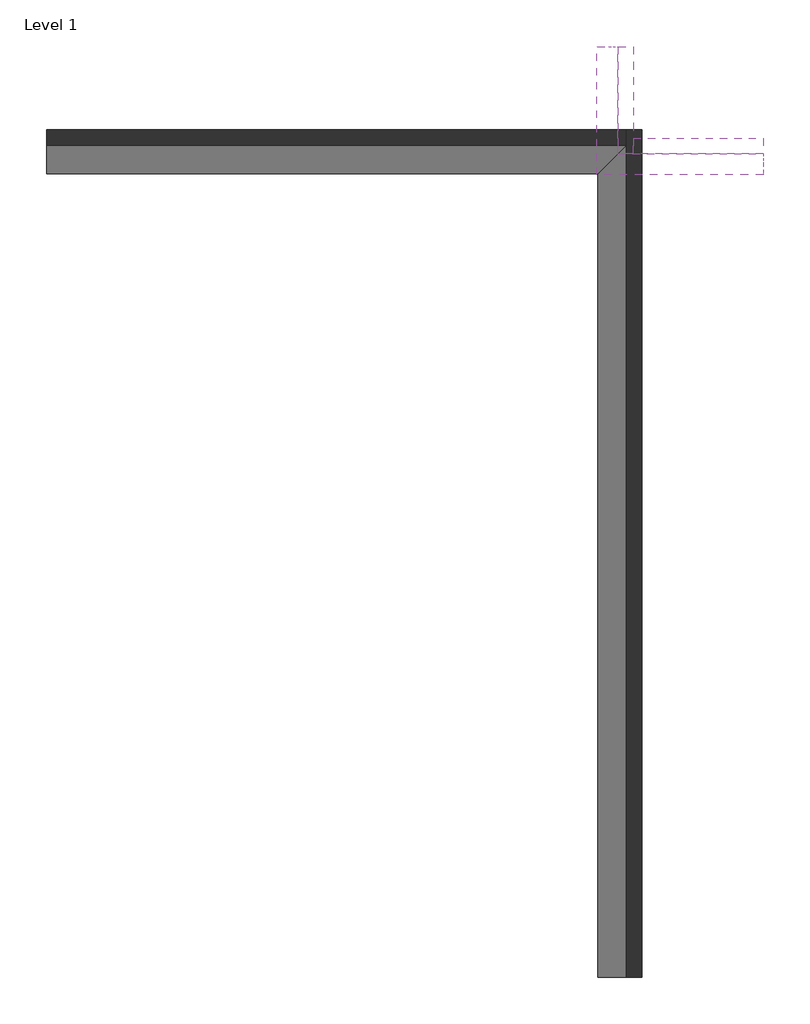
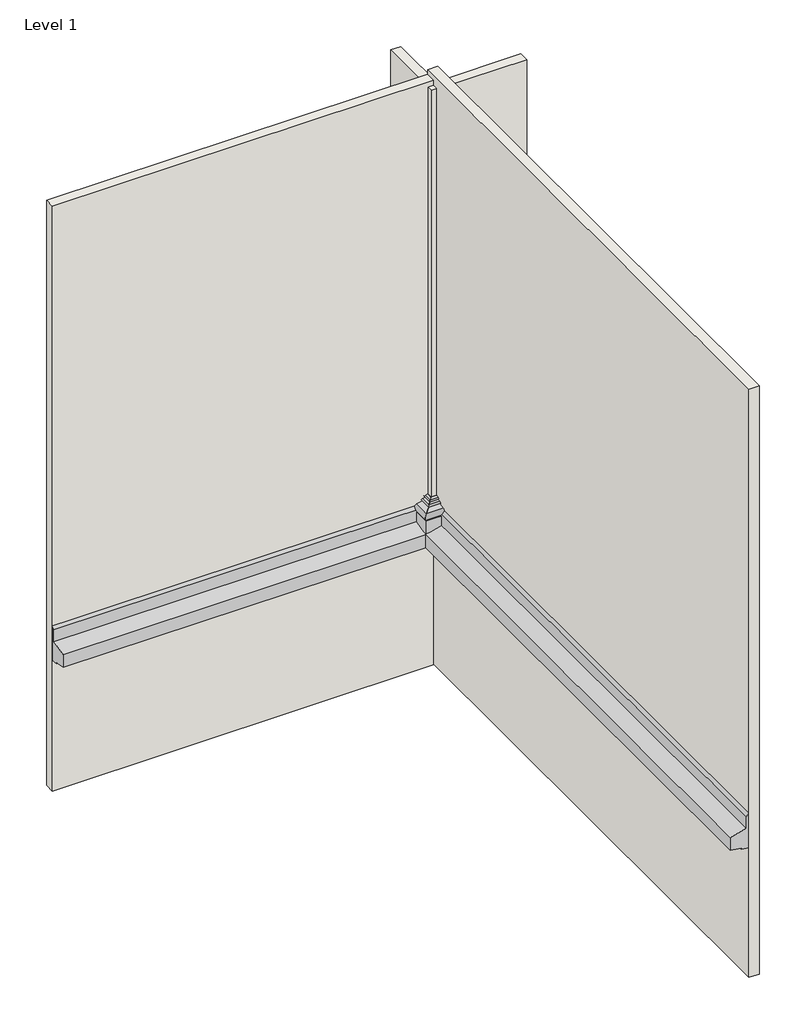
# One storey: 4 walls, 2 proxies.
"""IFC4 building model written with IfcOpenShell, lengths in millimetres."""

from ifc_helpers import new_model, si_unit, frame, origin, place, context, project, spatial, circle_curve, ellipse_curve, faceted_brep, element, save
from ifc_brep_helpers import plane_surface, cylinder_surface, advanced_brep

model = new_model("IFC4")

# Units and contexts
model_context = context("Model", 3, world=origin())
ifc_project = project(units=[si_unit("LENGTHUNIT", "METRE", prefix="MILLI")], contexts=[model_context])

# Site, building, storey
site = spatial("IfcSite", under=ifc_project)
building = spatial("IfcBuilding", under=site)
storey = spatial("IfcBuildingStorey", under=building, Name="Level 1", Elevation=0.0)

# Proxies
placement = place(None, origin())
element("IfcBuildingElementProxy", 1, Name="Wall Sweeps", at=placement, inside=storey, context=model_context, shape_type="Brep", body=[
    faceted_brep([(-17397.7486451, 10690.5387332, 1766.6174059), (-17397.7486451, 10690.5387332, 1038.1304494), (-17397.7486451, 10533.2248563, 1060.239473), (-17397.7486451, 10533.2248563, 1084.5228398), (-17397.7486451, 10316.4420599, 1114.989675), (-17397.7486451, 10316.4420599, 1379.8940228), (-17397.7486451, 10636.2894987, 1465.5968857), (-17397.7486451, 10636.2894987, 1712.3681714), (-9799.3486451, 10690.5387332, 1766.6174059), (-9853.5978797, 10636.2894987, 1712.3681714), (-9853.5978797, 10636.2894987, 1465.5968857), (-10173.4453185, 10316.4420599, 1379.8940228), (-10173.4453185, 10316.4420599, 1114.989675), (-9956.6625221, 10533.2248563, 1084.5228398), (-9956.6625221, 10533.2248563, 1060.239473), (-9799.3486451, 10690.5387332, 1038.1304494)], [[[0, 1, 2, 3, 4, 5, 6, 7]], [[8, 9, 10, 11, 12, 13, 14, 15]], [[1, 0, 8, 15]], [[2, 1, 15, 14]], [[3, 2, 14, 13]], [[4, 3, 13, 12]], [[5, 4, 12, 11]], [[6, 5, 11, 10]], [[7, 6, 10, 9]], [[0, 7, 9, 8]]]),
    faceted_brep([(-9799.3486451, -207.8612668, 1766.6174059), (-9853.5978797, -207.8612668, 1712.3681714), (-9853.5978797, -207.8612668, 1465.5968857), (-10173.4453185, -207.8612668, 1379.8940228), (-10173.4453185, -207.8612668, 1114.989675), (-9956.6625221, -207.8612668, 1084.5228398), (-9956.6625221, -207.8612668, 1060.239473), (-9799.3486451, -207.8612668, 1038.1304494), (-9799.3486451, 10690.5387332, 1766.6174059), (-9799.3486451, 10690.5387332, 1038.1304494), (-9956.6625221, 10533.2248563, 1060.239473), (-9956.6625221, 10533.2248563, 1084.5228398), (-10173.4453185, 10316.4420599, 1114.989675), (-10173.4453185, 10316.4420599, 1379.8940228), (-9853.5978797, 10636.2894987, 1465.5968857), (-9853.5978797, 10636.2894987, 1712.3681714)], [[[0, 1, 2, 3, 4, 5, 6, 7]], [[8, 9, 10, 11, 12, 13, 14, 15]], [[1, 0, 8, 15]], [[2, 1, 15, 14]], [[3, 2, 14, 13]], [[4, 3, 13, 12]], [[5, 4, 12, 11]], [[6, 5, 11, 10]], [[7, 6, 10, 9]], [[0, 7, 9, 8]]]),
])
element("IfcBuildingElementProxy", 2, Name="Wall Sweeps", at=placement, inside=storey, context=model_context, shape_type="AdvancedBrep", body=[
    advanced_brep(
    [(-10170.7669056, 11981.7508841, 1400.0), (-10170.7669056, 11981.7508841, 1663.1578947), (-10118.1353267, 11981.7508841, 1663.1578947), (-10118.1353267, 11981.7508841, 1668.4210526), (-10139.2465801, 11981.7508841, 1796.7855844), (-10022.6246094, 11981.7508841, 1817.3491844), (-10022.6246094, 11981.7508841, 1822.6123423), (-10017.9224973, 11981.7508841, 1867.8161659), (-9966.0905103, 11981.7508841, 1876.9555437), (-9966.0905103, 11981.7508841, 1879.5871226), (-9964.2290497, 11981.7508841, 1912.9679292), (-9919.1218464, 11981.7508841, 1929.3856086), (-9907.6090109, 11981.7508841, 1929.3856086), (-9907.6090109, 11981.7508841, 1400.0), (-10170.7669056, 10316.9929894, 1400.0), (-9907.6090109, 10580.1508841, 1400.0), (-9907.6090109, 10580.1508841, 1929.3856086), (-9919.1218464, 10568.6380486, 1929.3856086), (-9964.2290497, 10523.5308452, 1912.9679292), (-9966.0905103, 10521.6693847, 1879.5871226), (-9966.0905103, 10521.6693847, 1876.9555437), (-10017.9224973, 10469.8373977, 1867.8161659), (-10022.6246094, 10465.1352856, 1822.6123423), (-10022.6246094, 10465.1352856, 1817.3491844), (-10139.2465801, 10348.5133149, 1796.7855844), (-10118.1353267, 10369.6245683, 1668.4210526), (-10118.1353267, 10369.6245683, 1663.1578947), (-10170.7669056, 10316.9929894, 1663.1578947)],
    [
        (0, 1),
        (1, 2),
        (2, 3),
        (3, 4, circle_curve(frame((-10120.8332425, 11981.7508841, 1733.8956235), z_axis=(0.0, 1.0, 0.0), x_axis=(-1.0, 0.0, 0.0)), 65.5301319)),
        (4, 5),
        (5, 6),
        (6, 7, circle_curve(frame((-10013.7526208, 11981.7508841, 1844.5359452), z_axis=(0.0, 1.0, 0.0), x_axis=(-1.0, 0.0, 0.0)), 23.6507198)),
        (7, 8),
        (8, 9),
        (9, 10, circle_curve(frame((-9960.8289703, 11981.7508841, 1896.0360209), z_axis=(0.0, 1.0, 0.0), x_axis=(-1.0, 0.0, 0.0)), 17.2699177)),
        (10, 11),
        (11, 12),
        (12, 13),
        (13, 0),
        (14, 15),
        (15, 16),
        (16, 17),
        (17, 18),
        (18, 19, ellipse_curve(frame((-9960.8289703, 10526.9309247, 1896.0360209), z_axis=(0.7071067811865458, -0.7071067811865493, 0.0), x_axis=(0.7071067811865493, 0.7071067811865456, 0.0)), 24.4233519, 17.2699177)),
        (19, 20),
        (20, 21),
        (21, 22, ellipse_curve(frame((-10013.7526208, 10474.0072742, 1844.5359452), z_axis=(0.7071067811865458, -0.7071067811865493, 0.0), x_axis=(0.7071067811865493, 0.7071067811865456, 0.0)), 33.4471686, 23.6507198)),
        (22, 23),
        (23, 24),
        (24, 25, ellipse_curve(frame((-10120.8332425, 10366.9266525, 1733.8956235), z_axis=(0.7071067811865458, -0.7071067811865493, 0.0), x_axis=(0.7071067811865493, 0.7071067811865456, 0.0)), 92.6736013, 65.5301319)),
        (25, 26),
        (26, 27),
        (27, 14),
        (0, 14),
        (27, 1),
        (13, 15),
        (26, 2),
        (25, 3),
        (24, 4),
        (23, 5),
        (22, 6),
        (21, 7),
        (20, 8),
        (19, 9),
        (18, 10),
        (17, 11),
        (16, 12),
    ],
    [
        plane_surface(frame((-10437.1197926, 11981.7508841, 1400.0), z_axis=(0.0, 1.0, 0.0), x_axis=(0.0, 0.0, -1.0))),
        plane_surface(frame((-9907.6090109, 10580.1508841, 1095.2), z_axis=(0.7071067811865458, -0.7071067811865493, 0.0), x_axis=(0.7071067811865493, 0.7071067811865458, 0.0))),
        plane_surface(frame((-10170.7669056, 11981.7508841, 1400.0), z_axis=(-1.0, 0.0, 0.0), x_axis=(0.0, -1.0, 0.0))),
        plane_surface(frame((-9907.6090109, 11981.7508841, 1400.0), z_axis=(0.0, 0.0, -1.0), x_axis=(0.0, -1.0, 0.0))),
        plane_surface(frame((-10170.7669056, 11981.7508841, 1663.1578947), z_axis=(0.0, 0.0, 1.0), x_axis=(0.0, -1.0, 0.0))),
        plane_surface(frame((-10118.1353267, 11981.7508841, 1663.1578947), z_axis=(-1.0, 0.0, 0.0), x_axis=(0.0, -1.0, 0.0))),
        cylinder_surface(frame((-10120.8332425, 11981.7508841, 1733.8956235), z_axis=(0.0, 1.0, 0.0), x_axis=(-1.0, 0.0, 0.0)), 65.5301319),
        plane_surface(frame((-10139.2465801, 11981.7508841, 1796.7855844), z_axis=(-0.17364817766693338, 0.0, 0.9848077530122076), x_axis=(0.0, -1.0, 0.0))),
        plane_surface(frame((-10022.6246094, 11981.7508841, 1817.3491844), z_axis=(-1.0, 0.0, 0.0), x_axis=(0.0, -1.0, 0.0))),
        cylinder_surface(frame((-10013.7526208, 11981.7508841, 1844.5359452), z_axis=(0.0, 1.0, 0.0), x_axis=(-1.0, 0.0, 0.0)), 23.6507198),
        plane_surface(frame((-10017.9224973, 11981.7508841, 1867.8161659), z_axis=(-0.17364817766693355, 0.0, 0.9848077530122076), x_axis=(0.0, -1.0, 0.0))),
        plane_surface(frame((-9966.0905103, 11981.7508841, 1876.9555437), z_axis=(-1.0, 0.0, 0.0), x_axis=(0.0, -1.0, 0.0))),
        cylinder_surface(frame((-9960.8289703, 11981.7508841, 1896.0360209), z_axis=(0.0, 1.0, 0.0), x_axis=(-1.0, 0.0, 0.0)), 17.2699177),
        plane_surface(frame((-9964.2290497, 11981.7508841, 1912.9679292), z_axis=(-0.34202014332567154, 0.0, 0.9396926207859074), x_axis=(0.0, -1.0, 0.0))),
        plane_surface(frame((-9919.1218464, 11981.7508841, 1929.3856086), z_axis=(0.0, 0.0, 1.0), x_axis=(0.0, -1.0, 0.0))),
        plane_surface(frame((-9907.6090109, 11981.7508841, 1929.3856086), z_axis=(1.0, 0.0, 0.0), x_axis=(0.0, -1.0, 0.0))),
    ],
    [
        (0, [[1, 2, 3, 4, 5, 6, 7, 8, 9, 10, 11, 12, 13, 14]]),
        (1, [[15, 16, 17, 18, 19, 20, 21, 22, 23, 24, 25, 26, 27, 28]]),
        (2, [[-1, 29, -28, 30]]),
        (3, [[-14, 31, -15, -29]]),
        (4, [[-2, -30, -27, 32]]),
        (5, [[-3, -32, -26, 33]]),
        (6, [[-4, -33, -25, 34]]),
        (7, [[-5, -34, -24, 35]]),
        (8, [[-6, -35, -23, 36]]),
        (9, [[-7, -36, -22, 37]]),
        (10, [[-8, -37, -21, 38]]),
        (11, [[-9, -38, -20, 39]]),
        (12, [[-10, -39, -19, 40]]),
        (13, [[-11, -40, -18, 41]]),
        (14, [[-12, -41, -17, 42]]),
        (15, [[-13, -42, -16, -31]]),
    ],
),
    advanced_brep(
    [(-10170.7669056, 10316.9929894, 1400.0), (-10170.7669056, 10316.9929894, 1663.1578947), (-10118.1353267, 10369.6245683, 1663.1578947), (-10118.1353267, 10369.6245683, 1668.4210526), (-10139.2465801, 10348.5133149, 1796.7855844), (-10022.6246094, 10465.1352856, 1817.3491844), (-10022.6246094, 10465.1352856, 1822.6123423), (-10017.9224973, 10469.8373977, 1867.8161659), (-9966.0905103, 10521.6693847, 1876.9555437), (-9966.0905103, 10521.6693847, 1879.5871226), (-9964.2290497, 10523.5308452, 1912.9679292), (-9919.1218464, 10568.6380486, 1929.3856086), (-9907.6090109, 10580.1508841, 1929.3856086), (-9907.6090109, 10580.1508841, 1400.0), (-8006.0090109, 10316.9929894, 1400.0), (-8006.0090109, 10580.1508841, 1400.0), (-8006.0090109, 10580.1508841, 1929.3856086), (-8006.0090109, 10568.6380486, 1929.3856086), (-8006.0090109, 10523.5308452, 1912.9679292), (-8006.0090109, 10521.6693847, 1879.5871226), (-8006.0090109, 10521.6693847, 1876.9555437), (-8006.0090109, 10469.8373977, 1867.8161659), (-8006.0090109, 10465.1352856, 1822.6123423), (-8006.0090109, 10465.1352856, 1817.3491844), (-8006.0090109, 10348.5133149, 1796.7855844), (-8006.0090109, 10369.6245683, 1668.4210526), (-8006.0090109, 10369.6245683, 1663.1578947), (-8006.0090109, 10316.9929894, 1663.1578947)],
    [
        (0, 1),
        (1, 2),
        (2, 3),
        (3, 4, ellipse_curve(frame((-10120.8332425, 10366.9266525, 1733.8956235), z_axis=(-0.7071067811865458, 0.7071067811865493, 0.0), x_axis=(-0.7071067811865491, -0.7071067811865458, 0.0)), 92.6736013, 65.5301319)),
        (4, 5),
        (5, 6),
        (6, 7, ellipse_curve(frame((-10013.7526208, 10474.0072742, 1844.5359452), z_axis=(-0.7071067811865458, 0.7071067811865493, 0.0), x_axis=(-0.7071067811865491, -0.7071067811865458, 0.0)), 33.4471686, 23.6507198)),
        (7, 8),
        (8, 9),
        (9, 10, ellipse_curve(frame((-9960.8289703, 10526.9309247, 1896.0360209), z_axis=(-0.7071067811865458, 0.7071067811865493, 0.0), x_axis=(-0.7071067811865491, -0.7071067811865458, 0.0)), 24.4233519, 17.2699177)),
        (10, 11),
        (11, 12),
        (12, 13),
        (13, 0),
        (14, 15),
        (15, 16),
        (16, 17),
        (17, 18),
        (18, 19, circle_curve(frame((-8006.0090109, 10526.9309247, 1896.0360209), z_axis=(1.0, 0.0, 0.0), x_axis=(0.0, -1.0, 0.0)), 17.2699177)),
        (19, 20),
        (20, 21),
        (21, 22, circle_curve(frame((-8006.0090109, 10474.0072742, 1844.5359452), z_axis=(1.0, 0.0, 0.0), x_axis=(0.0, -1.0, 0.0)), 23.6507198)),
        (22, 23),
        (23, 24),
        (24, 25, circle_curve(frame((-8006.0090109, 10366.9266525, 1733.8956235), z_axis=(1.0, 0.0, 0.0), x_axis=(0.0, -1.0, 0.0)), 65.5301319)),
        (25, 26),
        (26, 27),
        (27, 14),
        (0, 14),
        (27, 1),
        (13, 15),
        (26, 2),
        (25, 3),
        (24, 4),
        (23, 5),
        (22, 6),
        (21, 7),
        (20, 8),
        (19, 9),
        (18, 10),
        (17, 11),
        (16, 12),
    ],
    [
        plane_surface(frame((-9907.6090109, 10580.1508841, 1095.2), z_axis=(-0.7071067811865458, 0.7071067811865493, 0.0), x_axis=(0.7071067811865493, 0.7071067811865458, 0.0))),
        plane_surface(frame((-8006.0090109, 10580.1508841, 870.4892183), z_axis=(1.0, 0.0, 0.0), x_axis=(0.0, 1.0, 0.0))),
        plane_surface(frame((-10170.7669056, 10316.9929894, 1400.0), z_axis=(0.0, -1.0, 0.0), x_axis=(1.0, 0.0, 0.0))),
        plane_surface(frame((-9907.6090109, 10580.1508841, 1400.0), z_axis=(0.0, 0.0, -1.0), x_axis=(1.0, 0.0, 0.0))),
        plane_surface(frame((-10170.7669056, 10316.9929894, 1663.1578947), z_axis=(0.0, 0.0, 1.0), x_axis=(1.0, 0.0, 0.0))),
        plane_surface(frame((-10118.1353267, 10369.6245683, 1663.1578947), z_axis=(0.0, -1.0, 0.0), x_axis=(1.0, 0.0, 0.0))),
        cylinder_surface(frame((-9907.6090109, 10366.9266525, 1733.8956235), z_axis=(-1.0, 0.0, 0.0), x_axis=(0.0, -1.0, 0.0)), 65.5301319),
        plane_surface(frame((-10139.2465801, 10348.5133149, 1796.7855844), z_axis=(0.0, -0.17364817766693338, 0.9848077530122076), x_axis=(1.0, 0.0, 0.0))),
        plane_surface(frame((-10022.6246094, 10465.1352856, 1817.3491844), z_axis=(0.0, -1.0, 0.0), x_axis=(1.0, 0.0, 0.0))),
        cylinder_surface(frame((-9907.6090109, 10474.0072742, 1844.5359452), z_axis=(-1.0, 0.0, 0.0), x_axis=(0.0, -1.0, 0.0)), 23.6507198),
        plane_surface(frame((-10017.9224973, 10469.8373977, 1867.8161659), z_axis=(0.0, -0.17364817766693355, 0.9848077530122076), x_axis=(1.0, 0.0, 0.0))),
        plane_surface(frame((-9966.0905103, 10521.6693847, 1876.9555437), z_axis=(0.0, -1.0, 0.0), x_axis=(1.0, 0.0, 0.0))),
        cylinder_surface(frame((-9907.6090109, 10526.9309247, 1896.0360209), z_axis=(-1.0, 0.0, 0.0), x_axis=(0.0, -1.0, 0.0)), 17.2699177),
        plane_surface(frame((-9964.2290497, 10523.5308452, 1912.9679292), z_axis=(0.0, -0.34202014332567154, 0.9396926207859074), x_axis=(1.0, 0.0, 0.0))),
        plane_surface(frame((-9919.1218464, 10568.6380486, 1929.3856086), z_axis=(0.0, 0.0, 1.0), x_axis=(1.0, 0.0, 0.0))),
        plane_surface(frame((-9907.6090109, 10580.1508841, 1929.3856086), z_axis=(0.0, 1.0, 0.0), x_axis=(1.0, 0.0, 0.0))),
    ],
    [
        (0, [[1, 2, 3, 4, 5, 6, 7, 8, 9, 10, 11, 12, 13, 14]]),
        (1, [[15, 16, 17, 18, 19, 20, 21, 22, 23, 24, 25, 26, 27, 28]]),
        (2, [[-1, 29, -28, 30]]),
        (3, [[-14, 31, -15, -29]]),
        (4, [[-2, -30, -27, 32]]),
        (5, [[-3, -32, -26, 33]]),
        (6, [[-4, -33, -25, 34]]),
        (7, [[-5, -34, -24, 35]]),
        (8, [[-6, -35, -23, 36]]),
        (9, [[-7, -36, -22, 37]]),
        (10, [[-8, -37, -21, 38]]),
        (11, [[-9, -38, -20, 39]]),
        (12, [[-10, -39, -19, 40]]),
        (13, [[-11, -40, -18, 41]]),
        (14, [[-12, -41, -17, 42]]),
        (15, [[-13, -42, -16, -31]]),
    ],
),
])

# Walls
element("IfcWall", 3, ObjectType="Generic - 8\"", at=placement, inside=storey, context=model_context, shape_type="Brep", body=[
    faceted_brep([(-17397.7486451, 10690.5387332, -1717.5190583), (-9799.3486451, 10690.5387332, -1717.5190583), (-9799.3486451, 10690.5387332, 10610.4740545), (-17397.7486451, 10690.5387332, 10610.4740545), (-17397.7486451, 10893.7387332, -1717.5190583), (-17397.7486451, 10893.7387332, 10610.4740545), (-9799.3486451, 10893.7387332, 10610.4740545), (-9799.3486451, 10893.7387332, -1698.6769759), (-9799.3486451, 10893.7387332, -1717.5190583)], [[[0, 1, 2, 3]], [[4, 5, 6, 7, 8]], [[1, 0, 4, 8]], [[3, 2, 6, 5]], [[0, 3, 5, 4]], [[2, 1, 8, 7, 6]]]),
])
element("IfcWall", 4, ObjectType="Generic - 8\"", at=placement, inside=storey, context=model_context, shape_type="Brep", body=[
    faceted_brep([(-9596.1486451, -207.8612668, -1698.6769759), (-9596.1486451, 10893.7387332, -1698.6769759), (-9596.1486451, 10893.7387332, 10704.413176), (-9596.1486451, -207.8612668, 10704.413176), (-9799.3486451, -207.8612668, -1698.6769759), (-9799.3486451, -207.8612668, 10704.413176), (-9799.3486451, 10893.7387332, 10704.413176), (-9799.3486451, 10893.7387332, 10610.4740545), (-9799.3486451, 10893.7387332, -1698.6769759)], [[[0, 1, 2, 3]], [[4, 5, 6, 7, 8]], [[1, 0, 4, 8]], [[3, 2, 6, 5]], [[0, 3, 5, 4]], [[2, 1, 8, 7, 6]]]),
])
element("IfcWall", 5, ObjectType="Generic - 8\"", at=placement, inside=storey, context=model_context, shape_type="Brep", body=[
    faceted_brep([(-9907.6090109, 11981.7508841, 1300.0), (-9907.6090109, 10580.1508841, 1300.0), (-9907.6090109, 10580.1508841, 1400.0), (-9907.6090109, 10580.1508841, 1929.3856086), (-9907.6090109, 10580.1508841, 10502.80248), (-9907.6090109, 11981.7508841, 10502.80248), (-9907.6090109, 11981.7508841, 1929.3856086), (-9907.6090109, 11981.7508841, 1400.0), (-9704.4090109, 10580.1508841, 1300.0), (-9704.4090109, 10783.3508841, 1300.0), (-9704.4090109, 11981.7508841, 1300.0), (-9704.4090109, 11981.7508841, 10502.80248), (-9704.4090109, 10580.1508841, 10502.80248), (-9704.4090109, 10580.1508841, 10479.2909922), (-9704.4090109, 10580.1508841, 1929.3856086), (-9704.4090109, 10580.1508841, 1400.0)], [[[0, 1, 2, 3, 4, 5, 6, 7]], [[8, 9, 10, 11, 12, 13, 14, 15]], [[1, 0, 10, 9, 8]], [[5, 4, 12, 11]], [[11, 10, 0, 7, 6, 5]], [[1, 8, 15, 14, 13, 12, 4, 3, 2]]]),
])
element("IfcWall", 6, ObjectType="Generic - 8\"", at=placement, inside=storey, context=model_context, shape_type="Brep", body=[
    faceted_brep([(-9704.4090109, 10580.1508841, 1300.0), (-8006.0090109, 10580.1508841, 1300.0), (-8006.0090109, 10580.1508841, 1400.0), (-8006.0090109, 10580.1508841, 1929.3856086), (-8006.0090109, 10580.1508841, 10479.2909922), (-9704.4090109, 10580.1508841, 10479.2909922), (-9704.4090109, 10580.1508841, 1929.3856086), (-9704.4090109, 10580.1508841, 1400.0), (-8006.0090109, 10783.3508841, 1300.0), (-9704.4090109, 10783.3508841, 1300.0), (-9704.4090109, 10783.3508841, 10479.2909922), (-8006.0090109, 10783.3508841, 10479.2909922)], [[[0, 1, 2, 3, 4, 5, 6, 7]], [[8, 9, 10, 11]], [[1, 0, 9, 8]], [[8, 11, 4, 3, 2, 1]], [[5, 4, 11, 10]], [[9, 0, 7, 6, 5, 10]]]),
])

save(model, "model.ifc")
